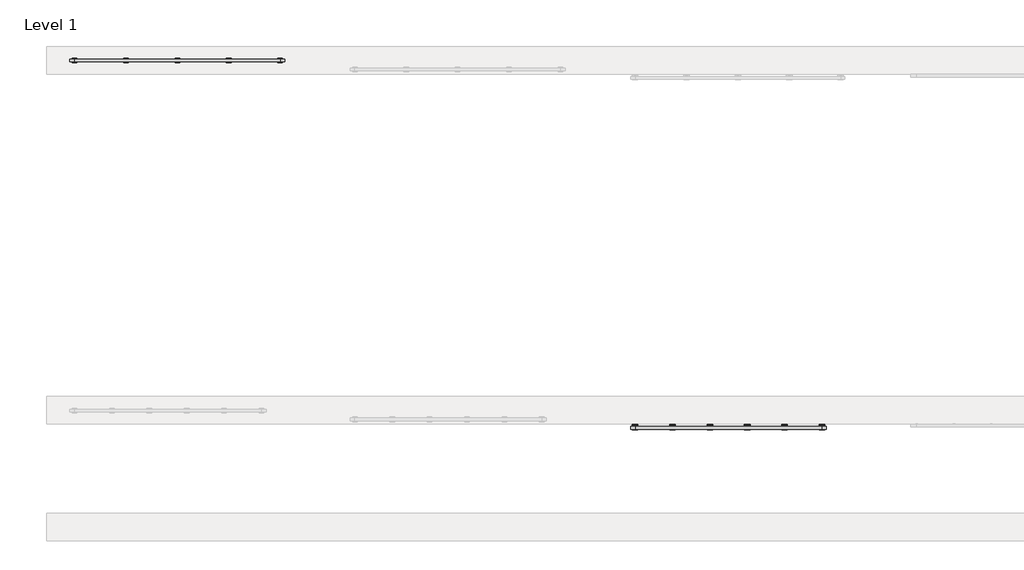
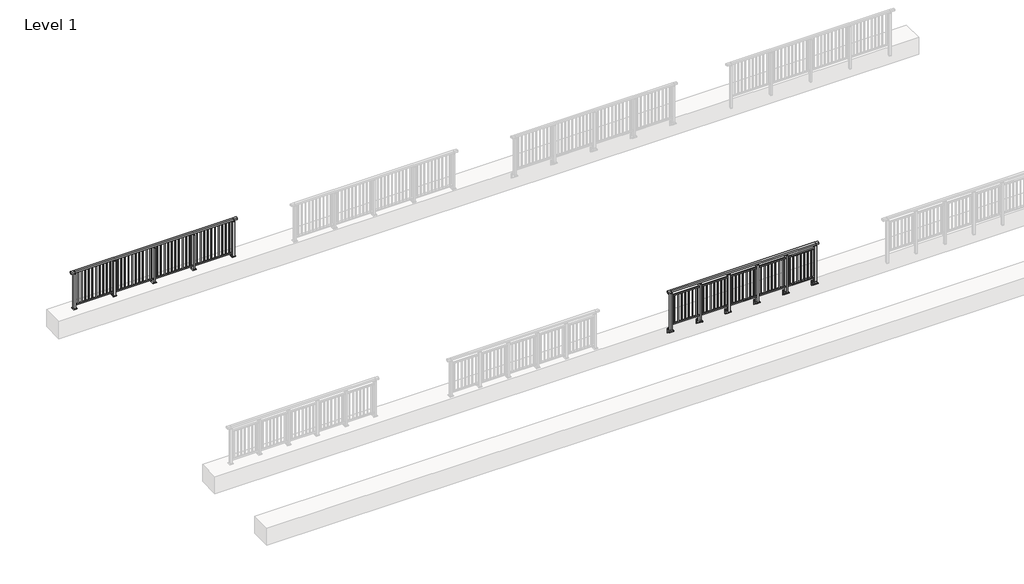
# One storey, part 8 of 37: 2 railings.
"""IFC4 building model written with IfcOpenShell, lengths in millimetres."""

from ifc_helpers import new_model, si_unit, point, frame, frame_2d, origin, origin_with_axes, place, context, project, spatial, polyline, circle_curve, trimmed, segment, composite_curve, outline, extrude, faceted_brep, element, save

model = new_model("IFC4")

# Units and contexts
model_context = context("Model", 3, world=origin())
ifc_project = project(units=[si_unit("LENGTHUNIT", "METRE", prefix="MILLI")], contexts=[model_context])

# Site, building, storey
site = spatial("IfcSite", under=ifc_project)
building = spatial("IfcBuilding", under=site)
storey = spatial("IfcBuildingStorey", under=building, Name="Level 1", Elevation=0.0)

# Railings
placement = place(None, origin())
element("IfcRailing", 1, at=placement, inside=storey, context=model_context, shape_type="SolidModel", body=[
    faceted_brep([(11910.0, 7347.6846828, 1100.0), (11910.0, 7347.6846828, 1055.0), (11910.0, 7287.6846828, 1055.0), (11910.0, 7287.6846828, 1100.0), (12000.0, 7347.6846828, 1100.0), (12000.0, 7347.6846828, 1055.0), (12000.0, 7287.6846828, 1055.0), (12000.0, 7287.6846828, 1100.0), (16000.0, 7347.6846828, 1100.0), (16000.0, 7347.6846828, 1055.0), (16000.0, 7287.6846828, 1055.0), (16000.0, 7287.6846828, 1100.0), (16090.0, 7347.6846828, 1100.0), (16090.0, 7287.6846828, 1100.0), (16090.0, 7287.6846828, 1055.0), (16090.0, 7347.6846828, 1055.0)], [[[0, 1, 2, 3]], [[1, 0, 4, 5]], [[2, 1, 5, 6]], [[3, 2, 6, 7]], [[0, 3, 7, 4]], [[5, 4, 8, 9]], [[6, 5, 9, 10]], [[7, 6, 10, 11]], [[4, 7, 11, 8]], [[12, 13, 14, 15]], [[9, 8, 12, 15]], [[10, 9, 15, 14]], [[11, 10, 14, 13]], [[8, 11, 13, 12]]]),
    extrude(outline(polyline([(12000.0, 7300.1846828), (12000.0, 7335.1846828), (16000.0, 7335.1846828), (16000.0, 7300.1846828), (12000.0, 7300.1846828)])), frame((0.0, 0.0, 930.0), z_axis=(0.0, 0.0, 1.0), x_axis=(1.0, 0.0, 0.0)), (0.0, 0.0, 1.0), 30.0),
    extrude(outline(polyline([(12000.0, 7300.1846828), (12000.0, 7335.1846828), (16000.0, 7335.1846828), (16000.0, 7300.1846828), (12000.0, 7300.1846828)])), frame((0.0, 0.0, 95.0), z_axis=(0.0, 0.0, 1.0), x_axis=(1.0, 0.0, 0.0)), (0.0, 0.0, 1.0), 30.0),
    extrude(outline(polyline([(15908.5, 7309.1846828), (15891.5, 7309.1846828), (15891.5, 7326.1846828), (15908.5, 7326.1846828), (15908.5, 7309.1846828)])), frame((0.0, 0.0, 125.0), z_axis=(0.0, 0.0, 1.0), x_axis=(1.0, 0.0, 0.0)), (0.0, 0.0, 1.0), 805.0),
    extrude(outline(polyline([(15808.5, 7309.1846828), (15791.5, 7309.1846828), (15791.5, 7326.1846828), (15808.5, 7326.1846828), (15808.5, 7309.1846828)])), frame((0.0, 0.0, 125.0), z_axis=(0.0, 0.0, 1.0), x_axis=(1.0, 0.0, 0.0)), (0.0, 0.0, 1.0), 805.0),
    extrude(outline(polyline([(15708.5, 7309.1846828), (15691.5, 7309.1846828), (15691.5, 7326.1846828), (15708.5, 7326.1846828), (15708.5, 7309.1846828)])), frame((0.0, 0.0, 125.0), z_axis=(0.0, 0.0, 1.0), x_axis=(1.0, 0.0, 0.0)), (0.0, 0.0, 1.0), 805.0),
    extrude(outline(polyline([(15608.5, 7309.1846828), (15591.5, 7309.1846828), (15591.5, 7326.1846828), (15608.5, 7326.1846828), (15608.5, 7309.1846828)])), frame((0.0, 0.0, 125.0), z_axis=(0.0, 0.0, 1.0), x_axis=(1.0, 0.0, 0.0)), (0.0, 0.0, 1.0), 805.0),
    extrude(outline(polyline([(15508.5, 7309.1846828), (15491.5, 7309.1846828), (15491.5, 7326.1846828), (15508.5, 7326.1846828), (15508.5, 7309.1846828)])), frame((0.0, 0.0, 125.0), z_axis=(0.0, 0.0, 1.0), x_axis=(1.0, 0.0, 0.0)), (0.0, 0.0, 1.0), 805.0),
    extrude(outline(polyline([(15408.5, 7309.1846828), (15391.5, 7309.1846828), (15391.5, 7326.1846828), (15408.5, 7326.1846828), (15408.5, 7309.1846828)])), frame((0.0, 0.0, 125.0), z_axis=(0.0, 0.0, 1.0), x_axis=(1.0, 0.0, 0.0)), (0.0, 0.0, 1.0), 805.0),
    extrude(outline(polyline([(15308.5, 7309.1846828), (15291.5, 7309.1846828), (15291.5, 7326.1846828), (15308.5, 7326.1846828), (15308.5, 7309.1846828)])), frame((0.0, 0.0, 125.0), z_axis=(0.0, 0.0, 1.0), x_axis=(1.0, 0.0, 0.0)), (0.0, 0.0, 1.0), 805.0),
    extrude(outline(composite_curve([segment(polyline([(7350.1846828, -70.0), (7384.1846828, -63.0), (7384.1846828, -32.5), (7400.1846828, -32.5), (7400.1846828, -167.5), (7384.1846828, -167.5), (7384.1846828, -113.5)]), True, "CONTINUOUS"), segment(trimmed(circle_curve(frame_2d((7364.1846828, -113.5)), 20.0), [point((7384.1846828, -113.5))], [point((7364.1846828, -93.5))], True, "CARTESIAN"), True, "CONTINUOUS"), segment(polyline([(7364.1846828, -93.5), (7280.1846828, -93.5), (7280.1846828, -70.0), (7350.1846828, -70.0)]), True, "CONTINUOUS")], self_intersect=False)), frame((15140.0, 0.0, 0.0), z_axis=(1.0, 0.0, 0.0), x_axis=(0.0, 1.0, 0.0)), (0.0, 0.0, 1.0), 120.0),
    extrude(outline(polyline([(15222.5, 7350.1846828), (15222.5, 7285.1846828), (15177.5, 7285.1846828), (15177.5, 7350.1846828), (15222.5, 7350.1846828)])), frame((0.0, 0.0, -70.0), z_axis=(0.0, 0.0, 1.0), x_axis=(1.0, 0.0, 0.0)), (0.0, 0.0, 1.0), 1097.0),
    extrude(outline(polyline([(15210.0, 7327.6846828), (15210.0, 7307.6846828), (15190.0, 7307.6846828), (15190.0, 7327.6846828), (15210.0, 7327.6846828)])), frame((0.0, 0.0, 1035.0), z_axis=(0.0, 0.0, 1.0), x_axis=(1.0, 0.0, 0.0)), (0.0, 0.0, 1.0), 20.0),
    extrude(outline(polyline([(15222.5, 7350.1846828), (15222.5, 7285.1846828), (15177.5, 7285.1846828), (15177.5, 7350.1846828), (15222.5, 7350.1846828)])), frame((0.0, 0.0, 1027.0), z_axis=(0.0, 0.0, 1.0), x_axis=(1.0, 0.0, 0.0)), (0.0, 0.0, 1.0), 8.0),
    extrude(outline(polyline([(15108.5, 7309.1846828), (15091.5, 7309.1846828), (15091.5, 7326.1846828), (15108.5, 7326.1846828), (15108.5, 7309.1846828)])), frame((0.0, 0.0, 125.0), z_axis=(0.0, 0.0, 1.0), x_axis=(1.0, 0.0, 0.0)), (0.0, 0.0, 1.0), 805.0),
    extrude(outline(polyline([(15008.5, 7309.1846828), (14991.5, 7309.1846828), (14991.5, 7326.1846828), (15008.5, 7326.1846828), (15008.5, 7309.1846828)])), frame((0.0, 0.0, 125.0), z_axis=(0.0, 0.0, 1.0), x_axis=(1.0, 0.0, 0.0)), (0.0, 0.0, 1.0), 805.0),
    extrude(outline(polyline([(14908.5, 7309.1846828), (14891.5, 7309.1846828), (14891.5, 7326.1846828), (14908.5, 7326.1846828), (14908.5, 7309.1846828)])), frame((0.0, 0.0, 125.0), z_axis=(0.0, 0.0, 1.0), x_axis=(1.0, 0.0, 0.0)), (0.0, 0.0, 1.0), 805.0),
    extrude(outline(polyline([(14808.5, 7309.1846828), (14791.5, 7309.1846828), (14791.5, 7326.1846828), (14808.5, 7326.1846828), (14808.5, 7309.1846828)])), frame((0.0, 0.0, 125.0), z_axis=(0.0, 0.0, 1.0), x_axis=(1.0, 0.0, 0.0)), (0.0, 0.0, 1.0), 805.0),
    extrude(outline(polyline([(14708.5, 7309.1846828), (14691.5, 7309.1846828), (14691.5, 7326.1846828), (14708.5, 7326.1846828), (14708.5, 7309.1846828)])), frame((0.0, 0.0, 125.0), z_axis=(0.0, 0.0, 1.0), x_axis=(1.0, 0.0, 0.0)), (0.0, 0.0, 1.0), 805.0),
    extrude(outline(polyline([(14608.5, 7309.1846828), (14591.5, 7309.1846828), (14591.5, 7326.1846828), (14608.5, 7326.1846828), (14608.5, 7309.1846828)])), frame((0.0, 0.0, 125.0), z_axis=(0.0, 0.0, 1.0), x_axis=(1.0, 0.0, 0.0)), (0.0, 0.0, 1.0), 805.0),
    extrude(outline(polyline([(14508.5, 7309.1846828), (14491.5, 7309.1846828), (14491.5, 7326.1846828), (14508.5, 7326.1846828), (14508.5, 7309.1846828)])), frame((0.0, 0.0, 125.0), z_axis=(0.0, 0.0, 1.0), x_axis=(1.0, 0.0, 0.0)), (0.0, 0.0, 1.0), 805.0),
    extrude(outline(composite_curve([segment(polyline([(7350.1846828, -70.0), (7384.1846828, -63.0), (7384.1846828, -32.5), (7400.1846828, -32.5), (7400.1846828, -167.5), (7384.1846828, -167.5), (7384.1846828, -113.5)]), True, "CONTINUOUS"), segment(trimmed(circle_curve(frame_2d((7364.1846828, -113.5)), 20.0), [point((7384.1846828, -113.5))], [point((7364.1846828, -93.5))], True, "CARTESIAN"), True, "CONTINUOUS"), segment(polyline([(7364.1846828, -93.5), (7280.1846828, -93.5), (7280.1846828, -70.0), (7350.1846828, -70.0)]), True, "CONTINUOUS")], self_intersect=False)), frame((14340.0, 0.0, 0.0), z_axis=(1.0, 0.0, 0.0), x_axis=(0.0, 1.0, 0.0)), (0.0, 0.0, 1.0), 120.0),
    extrude(outline(polyline([(14422.5, 7350.1846828), (14422.5, 7285.1846828), (14377.5, 7285.1846828), (14377.5, 7350.1846828), (14422.5, 7350.1846828)])), frame((0.0, 0.0, -70.0), z_axis=(0.0, 0.0, 1.0), x_axis=(1.0, 0.0, 0.0)), (0.0, 0.0, 1.0), 1097.0),
    extrude(outline(polyline([(14410.0, 7327.6846828), (14410.0, 7307.6846828), (14390.0, 7307.6846828), (14390.0, 7327.6846828), (14410.0, 7327.6846828)])), frame((0.0, 0.0, 1035.0), z_axis=(0.0, 0.0, 1.0), x_axis=(1.0, 0.0, 0.0)), (0.0, 0.0, 1.0), 20.0),
    extrude(outline(polyline([(14422.5, 7350.1846828), (14422.5, 7285.1846828), (14377.5, 7285.1846828), (14377.5, 7350.1846828), (14422.5, 7350.1846828)])), frame((0.0, 0.0, 1027.0), z_axis=(0.0, 0.0, 1.0), x_axis=(1.0, 0.0, 0.0)), (0.0, 0.0, 1.0), 8.0),
    extrude(outline(polyline([(14308.5, 7309.1846828), (14291.5, 7309.1846828), (14291.5, 7326.1846828), (14308.5, 7326.1846828), (14308.5, 7309.1846828)])), frame((0.0, 0.0, 125.0), z_axis=(0.0, 0.0, 1.0), x_axis=(1.0, 0.0, 0.0)), (0.0, 0.0, 1.0), 805.0),
    extrude(outline(polyline([(14208.5, 7309.1846828), (14191.5, 7309.1846828), (14191.5, 7326.1846828), (14208.5, 7326.1846828), (14208.5, 7309.1846828)])), frame((0.0, 0.0, 125.0), z_axis=(0.0, 0.0, 1.0), x_axis=(1.0, 0.0, 0.0)), (0.0, 0.0, 1.0), 805.0),
    extrude(outline(polyline([(14108.5, 7309.1846828), (14091.5, 7309.1846828), (14091.5, 7326.1846828), (14108.5, 7326.1846828), (14108.5, 7309.1846828)])), frame((0.0, 0.0, 125.0), z_axis=(0.0, 0.0, 1.0), x_axis=(1.0, 0.0, 0.0)), (0.0, 0.0, 1.0), 805.0),
    extrude(outline(polyline([(14008.5, 7309.1846828), (13991.5, 7309.1846828), (13991.5, 7326.1846828), (14008.5, 7326.1846828), (14008.5, 7309.1846828)])), frame((0.0, 0.0, 125.0), z_axis=(0.0, 0.0, 1.0), x_axis=(1.0, 0.0, 0.0)), (0.0, 0.0, 1.0), 805.0),
    extrude(outline(polyline([(13908.5, 7309.1846828), (13891.5, 7309.1846828), (13891.5, 7326.1846828), (13908.5, 7326.1846828), (13908.5, 7309.1846828)])), frame((0.0, 0.0, 125.0), z_axis=(0.0, 0.0, 1.0), x_axis=(1.0, 0.0, 0.0)), (0.0, 0.0, 1.0), 805.0),
    extrude(outline(polyline([(13808.5, 7309.1846828), (13791.5, 7309.1846828), (13791.5, 7326.1846828), (13808.5, 7326.1846828), (13808.5, 7309.1846828)])), frame((0.0, 0.0, 125.0), z_axis=(0.0, 0.0, 1.0), x_axis=(1.0, 0.0, 0.0)), (0.0, 0.0, 1.0), 805.0),
    extrude(outline(polyline([(13708.5, 7309.1846828), (13691.5, 7309.1846828), (13691.5, 7326.1846828), (13708.5, 7326.1846828), (13708.5, 7309.1846828)])), frame((0.0, 0.0, 125.0), z_axis=(0.0, 0.0, 1.0), x_axis=(1.0, 0.0, 0.0)), (0.0, 0.0, 1.0), 805.0),
    extrude(outline(composite_curve([segment(polyline([(7350.1846828, -70.0), (7384.1846828, -63.0), (7384.1846828, -32.5), (7400.1846828, -32.5), (7400.1846828, -167.5), (7384.1846828, -167.5), (7384.1846828, -113.5)]), True, "CONTINUOUS"), segment(trimmed(circle_curve(frame_2d((7364.1846828, -113.5)), 20.0), [point((7384.1846828, -113.5))], [point((7364.1846828, -93.5))], True, "CARTESIAN"), True, "CONTINUOUS"), segment(polyline([(7364.1846828, -93.5), (7280.1846828, -93.5), (7280.1846828, -70.0), (7350.1846828, -70.0)]), True, "CONTINUOUS")], self_intersect=False)), frame((13540.0, 0.0, 0.0), z_axis=(1.0, 0.0, 0.0), x_axis=(0.0, 1.0, 0.0)), (0.0, 0.0, 1.0), 120.0),
    extrude(outline(polyline([(13622.5, 7350.1846828), (13622.5, 7285.1846828), (13577.5, 7285.1846828), (13577.5, 7350.1846828), (13622.5, 7350.1846828)])), frame((0.0, 0.0, -70.0), z_axis=(0.0, 0.0, 1.0), x_axis=(1.0, 0.0, 0.0)), (0.0, 0.0, 1.0), 1097.0),
    extrude(outline(polyline([(13610.0, 7327.6846828), (13610.0, 7307.6846828), (13590.0, 7307.6846828), (13590.0, 7327.6846828), (13610.0, 7327.6846828)])), frame((0.0, 0.0, 1035.0), z_axis=(0.0, 0.0, 1.0), x_axis=(1.0, 0.0, 0.0)), (0.0, 0.0, 1.0), 20.0),
    extrude(outline(polyline([(13622.5, 7350.1846828), (13622.5, 7285.1846828), (13577.5, 7285.1846828), (13577.5, 7350.1846828), (13622.5, 7350.1846828)])), frame((0.0, 0.0, 1027.0), z_axis=(0.0, 0.0, 1.0), x_axis=(1.0, 0.0, 0.0)), (0.0, 0.0, 1.0), 8.0),
    extrude(outline(polyline([(13508.5, 7309.1846828), (13491.5, 7309.1846828), (13491.5, 7326.1846828), (13508.5, 7326.1846828), (13508.5, 7309.1846828)])), frame((0.0, 0.0, 125.0), z_axis=(0.0, 0.0, 1.0), x_axis=(1.0, 0.0, 0.0)), (0.0, 0.0, 1.0), 805.0),
    extrude(outline(polyline([(13408.5, 7309.1846828), (13391.5, 7309.1846828), (13391.5, 7326.1846828), (13408.5, 7326.1846828), (13408.5, 7309.1846828)])), frame((0.0, 0.0, 125.0), z_axis=(0.0, 0.0, 1.0), x_axis=(1.0, 0.0, 0.0)), (0.0, 0.0, 1.0), 805.0),
    extrude(outline(polyline([(13308.5, 7309.1846828), (13291.5, 7309.1846828), (13291.5, 7326.1846828), (13308.5, 7326.1846828), (13308.5, 7309.1846828)])), frame((0.0, 0.0, 125.0), z_axis=(0.0, 0.0, 1.0), x_axis=(1.0, 0.0, 0.0)), (0.0, 0.0, 1.0), 805.0),
    extrude(outline(polyline([(13208.5, 7309.1846828), (13191.5, 7309.1846828), (13191.5, 7326.1846828), (13208.5, 7326.1846828), (13208.5, 7309.1846828)])), frame((0.0, 0.0, 125.0), z_axis=(0.0, 0.0, 1.0), x_axis=(1.0, 0.0, 0.0)), (0.0, 0.0, 1.0), 805.0),
    extrude(outline(polyline([(13108.5, 7309.1846828), (13091.5, 7309.1846828), (13091.5, 7326.1846828), (13108.5, 7326.1846828), (13108.5, 7309.1846828)])), frame((0.0, 0.0, 125.0), z_axis=(0.0, 0.0, 1.0), x_axis=(1.0, 0.0, 0.0)), (0.0, 0.0, 1.0), 805.0),
    extrude(outline(polyline([(13008.5, 7309.1846828), (12991.5, 7309.1846828), (12991.5, 7326.1846828), (13008.5, 7326.1846828), (13008.5, 7309.1846828)])), frame((0.0, 0.0, 125.0), z_axis=(0.0, 0.0, 1.0), x_axis=(1.0, 0.0, 0.0)), (0.0, 0.0, 1.0), 805.0),
    extrude(outline(polyline([(12908.5, 7309.1846828), (12891.5, 7309.1846828), (12891.5, 7326.1846828), (12908.5, 7326.1846828), (12908.5, 7309.1846828)])), frame((0.0, 0.0, 125.0), z_axis=(0.0, 0.0, 1.0), x_axis=(1.0, 0.0, 0.0)), (0.0, 0.0, 1.0), 805.0),
    extrude(outline(composite_curve([segment(polyline([(7350.1846828, -70.0), (7384.1846828, -63.0), (7384.1846828, -32.5), (7400.1846828, -32.5), (7400.1846828, -167.5), (7384.1846828, -167.5), (7384.1846828, -113.5)]), True, "CONTINUOUS"), segment(trimmed(circle_curve(frame_2d((7364.1846828, -113.5)), 20.0), [point((7384.1846828, -113.5))], [point((7364.1846828, -93.5))], True, "CARTESIAN"), True, "CONTINUOUS"), segment(polyline([(7364.1846828, -93.5), (7280.1846828, -93.5), (7280.1846828, -70.0), (7350.1846828, -70.0)]), True, "CONTINUOUS")], self_intersect=False)), frame((12740.0, 0.0, 0.0), z_axis=(1.0, 0.0, 0.0), x_axis=(0.0, 1.0, 0.0)), (0.0, 0.0, 1.0), 120.0),
    extrude(outline(polyline([(12822.5, 7350.1846828), (12822.5, 7285.1846828), (12777.5, 7285.1846828), (12777.5, 7350.1846828), (12822.5, 7350.1846828)])), frame((0.0, 0.0, -70.0), z_axis=(0.0, 0.0, 1.0), x_axis=(1.0, 0.0, 0.0)), (0.0, 0.0, 1.0), 1097.0),
    extrude(outline(polyline([(12810.0, 7327.6846828), (12810.0, 7307.6846828), (12790.0, 7307.6846828), (12790.0, 7327.6846828), (12810.0, 7327.6846828)])), frame((0.0, 0.0, 1035.0), z_axis=(0.0, 0.0, 1.0), x_axis=(1.0, 0.0, 0.0)), (0.0, 0.0, 1.0), 20.0),
    extrude(outline(polyline([(12822.5, 7350.1846828), (12822.5, 7285.1846828), (12777.5, 7285.1846828), (12777.5, 7350.1846828), (12822.5, 7350.1846828)])), frame((0.0, 0.0, 1027.0), z_axis=(0.0, 0.0, 1.0), x_axis=(1.0, 0.0, 0.0)), (0.0, 0.0, 1.0), 8.0),
    extrude(outline(polyline([(12708.5, 7309.1846828), (12691.5, 7309.1846828), (12691.5, 7326.1846828), (12708.5, 7326.1846828), (12708.5, 7309.1846828)])), frame((0.0, 0.0, 125.0), z_axis=(0.0, 0.0, 1.0), x_axis=(1.0, 0.0, 0.0)), (0.0, 0.0, 1.0), 805.0),
    extrude(outline(polyline([(12608.5, 7309.1846828), (12591.5, 7309.1846828), (12591.5, 7326.1846828), (12608.5, 7326.1846828), (12608.5, 7309.1846828)])), frame((0.0, 0.0, 125.0), z_axis=(0.0, 0.0, 1.0), x_axis=(1.0, 0.0, 0.0)), (0.0, 0.0, 1.0), 805.0),
    extrude(outline(polyline([(12508.5, 7309.1846828), (12491.5, 7309.1846828), (12491.5, 7326.1846828), (12508.5, 7326.1846828), (12508.5, 7309.1846828)])), frame((0.0, 0.0, 125.0), z_axis=(0.0, 0.0, 1.0), x_axis=(1.0, 0.0, 0.0)), (0.0, 0.0, 1.0), 805.0),
    extrude(outline(polyline([(12408.5, 7309.1846828), (12391.5, 7309.1846828), (12391.5, 7326.1846828), (12408.5, 7326.1846828), (12408.5, 7309.1846828)])), frame((0.0, 0.0, 125.0), z_axis=(0.0, 0.0, 1.0), x_axis=(1.0, 0.0, 0.0)), (0.0, 0.0, 1.0), 805.0),
    extrude(outline(polyline([(12308.5, 7309.1846828), (12291.5, 7309.1846828), (12291.5, 7326.1846828), (12308.5, 7326.1846828), (12308.5, 7309.1846828)])), frame((0.0, 0.0, 125.0), z_axis=(0.0, 0.0, 1.0), x_axis=(1.0, 0.0, 0.0)), (0.0, 0.0, 1.0), 805.0),
    extrude(outline(polyline([(12208.5, 7309.1846828), (12191.5, 7309.1846828), (12191.5, 7326.1846828), (12208.5, 7326.1846828), (12208.5, 7309.1846828)])), frame((0.0, 0.0, 125.0), z_axis=(0.0, 0.0, 1.0), x_axis=(1.0, 0.0, 0.0)), (0.0, 0.0, 1.0), 805.0),
    extrude(outline(polyline([(12108.5, 7309.1846828), (12091.5, 7309.1846828), (12091.5, 7326.1846828), (12108.5, 7326.1846828), (12108.5, 7309.1846828)])), frame((0.0, 0.0, 125.0), z_axis=(0.0, 0.0, 1.0), x_axis=(1.0, 0.0, 0.0)), (0.0, 0.0, 1.0), 805.0),
    extrude(outline(composite_curve([segment(polyline([(7350.1846828, -70.0), (7384.1846828, -63.0), (7384.1846828, -32.5), (7400.1846828, -32.5), (7400.1846828, -167.5), (7384.1846828, -167.5), (7384.1846828, -113.5)]), True, "CONTINUOUS"), segment(trimmed(circle_curve(frame_2d((7364.1846828, -113.5)), 20.0), [point((7384.1846828, -113.5))], [point((7364.1846828, -93.5))], True, "CARTESIAN"), True, "CONTINUOUS"), segment(polyline([(7364.1846828, -93.5), (7280.1846828, -93.5), (7280.1846828, -70.0), (7350.1846828, -70.0)]), True, "CONTINUOUS")], self_intersect=False)), frame((15940.0, 0.0, 0.0), z_axis=(1.0, 0.0, 0.0), x_axis=(0.0, 1.0, 0.0)), (0.0, 0.0, 1.0), 120.0),
    extrude(outline(polyline([(16022.5, 7350.1846828), (16022.5, 7285.1846828), (15977.5, 7285.1846828), (15977.5, 7350.1846828), (16022.5, 7350.1846828)])), frame((0.0, 0.0, -70.0), z_axis=(0.0, 0.0, 1.0), x_axis=(1.0, 0.0, 0.0)), (0.0, 0.0, 1.0), 1097.0),
    extrude(outline(polyline([(16010.0, 7327.6846828), (16010.0, 7307.6846828), (15990.0, 7307.6846828), (15990.0, 7327.6846828), (16010.0, 7327.6846828)])), frame((0.0, 0.0, 1035.0), z_axis=(0.0, 0.0, 1.0), x_axis=(1.0, 0.0, 0.0)), (0.0, 0.0, 1.0), 20.0),
    extrude(outline(polyline([(16022.5, 7350.1846828), (16022.5, 7285.1846828), (15977.5, 7285.1846828), (15977.5, 7350.1846828), (16022.5, 7350.1846828)])), frame((0.0, 0.0, 1027.0), z_axis=(0.0, 0.0, 1.0), x_axis=(1.0, 0.0, 0.0)), (0.0, 0.0, 1.0), 8.0),
    extrude(outline(composite_curve([segment(polyline([(7350.1846828, -70.0), (7384.1846828, -63.0), (7384.1846828, -32.5), (7400.1846828, -32.5), (7400.1846828, -167.5), (7384.1846828, -167.5), (7384.1846828, -113.5)]), True, "CONTINUOUS"), segment(trimmed(circle_curve(frame_2d((7364.1846828, -113.5)), 20.0), [point((7384.1846828, -113.5))], [point((7364.1846828, -93.5))], True, "CARTESIAN"), True, "CONTINUOUS"), segment(polyline([(7364.1846828, -93.5), (7280.1846828, -93.5), (7280.1846828, -70.0), (7350.1846828, -70.0)]), True, "CONTINUOUS")], self_intersect=False)), frame((11940.0, 0.0, 0.0), z_axis=(1.0, 0.0, 0.0), x_axis=(0.0, 1.0, 0.0)), (0.0, 0.0, 1.0), 120.0),
    extrude(outline(polyline([(12022.5, 7350.1846828), (12022.5, 7285.1846828), (11977.5, 7285.1846828), (11977.5, 7350.1846828), (12022.5, 7350.1846828)])), frame((0.0, 0.0, -70.0), z_axis=(0.0, 0.0, 1.0), x_axis=(1.0, 0.0, 0.0)), (0.0, 0.0, 1.0), 1097.0),
    extrude(outline(polyline([(12010.0, 7327.6846828), (12010.0, 7307.6846828), (11990.0, 7307.6846828), (11990.0, 7327.6846828), (12010.0, 7327.6846828)])), frame((0.0, 0.0, 1035.0), z_axis=(0.0, 0.0, 1.0), x_axis=(1.0, 0.0, 0.0)), (0.0, 0.0, 1.0), 20.0),
    extrude(outline(polyline([(12022.5, 7350.1846828), (12022.5, 7285.1846828), (11977.5, 7285.1846828), (11977.5, 7350.1846828), (12022.5, 7350.1846828)])), frame((0.0, 0.0, 1027.0), z_axis=(0.0, 0.0, 1.0), x_axis=(1.0, 0.0, 0.0)), (0.0, 0.0, 1.0), 8.0),
])
element("IfcRailing", 2, at=placement, inside=storey, context=model_context, shape_type="SolidModel", body=[
    faceted_brep([(0.0, 15220.1846828, 1055.0), (0.0, 15220.1846828, 1100.0), (4400.0, 15220.1846828, 1100.0), (4400.0, 15220.1846828, 1055.0), (0.0, 15160.1846828, 1055.0), (4400.0, 15160.1846828, 1055.0), (0.0, 15160.1846828, 1100.0), (4400.0, 15160.1846828, 1100.0), (-100.0, 15220.1846828, 1100.0), (-100.0, 15220.1846828, 1055.0), (-100.0, 15160.1846828, 1055.0), (-100.0, 15160.1846828, 1100.0), (4500.0, 15220.1846828, 1100.0), (4500.0, 15160.1846828, 1100.0), (4500.0, 15160.1846828, 1055.0), (4500.0, 15220.1846828, 1055.0)], [[[0, 1, 2, 3]], [[4, 0, 3, 5]], [[6, 4, 5, 7]], [[1, 6, 7, 2]], [[8, 9, 10, 11]], [[9, 8, 1, 0]], [[10, 9, 0, 4]], [[11, 10, 4, 6]], [[8, 11, 6, 1]], [[12, 13, 14, 15]], [[3, 2, 12, 15]], [[5, 3, 15, 14]], [[7, 5, 14, 13]], [[2, 7, 13, 12]]]),
    extrude(outline(polyline([(0.0, 15172.6846828), (0.0, 15207.6846828), (4400.0, 15207.6846828), (4400.0, 15172.6846828), (0.0, 15172.6846828)])), frame((0.0, 0.0, 95.0), z_axis=(0.0, 0.0, 1.0), x_axis=(1.0, 0.0, 0.0)), (0.0, 0.0, 1.0), 30.0),
    extrude(outline(polyline([(4308.5, 15198.6846828), (4308.5, 15181.6846828), (4291.5, 15181.6846828), (4291.5, 15198.6846828), (4308.5, 15198.6846828)])), frame((0.0, 0.0, 125.0), z_axis=(0.0, 0.0, 1.0), x_axis=(1.0, 0.0, 0.0)), (0.0, 0.0, 1.0), 930.0),
    extrude(outline(polyline([(4208.5, 15198.6846828), (4208.5, 15181.6846828), (4191.5, 15181.6846828), (4191.5, 15198.6846828), (4208.5, 15198.6846828)])), frame((0.0, 0.0, 125.0), z_axis=(0.0, 0.0, 1.0), x_axis=(1.0, 0.0, 0.0)), (0.0, 0.0, 1.0), 930.0),
    extrude(outline(polyline([(4108.5, 15198.6846828), (4108.5, 15181.6846828), (4091.5, 15181.6846828), (4091.5, 15198.6846828), (4108.5, 15198.6846828)])), frame((0.0, 0.0, 125.0), z_axis=(0.0, 0.0, 1.0), x_axis=(1.0, 0.0, 0.0)), (0.0, 0.0, 1.0), 930.0),
    extrude(outline(polyline([(4008.5, 15198.6846828), (4008.5, 15181.6846828), (3991.5, 15181.6846828), (3991.5, 15198.6846828), (4008.5, 15198.6846828)])), frame((0.0, 0.0, 125.0), z_axis=(0.0, 0.0, 1.0), x_axis=(1.0, 0.0, 0.0)), (0.0, 0.0, 1.0), 930.0),
    extrude(outline(polyline([(3908.5, 15198.6846828), (3908.5, 15181.6846828), (3891.5, 15181.6846828), (3891.5, 15198.6846828), (3908.5, 15198.6846828)])), frame((0.0, 0.0, 125.0), z_axis=(0.0, 0.0, 1.0), x_axis=(1.0, 0.0, 0.0)), (0.0, 0.0, 1.0), 930.0),
    extrude(outline(polyline([(3808.5, 15198.6846828), (3808.5, 15181.6846828), (3791.5, 15181.6846828), (3791.5, 15198.6846828), (3808.5, 15198.6846828)])), frame((0.0, 0.0, 125.0), z_axis=(0.0, 0.0, 1.0), x_axis=(1.0, 0.0, 0.0)), (0.0, 0.0, 1.0), 930.0),
    extrude(outline(polyline([(3708.5, 15198.6846828), (3708.5, 15181.6846828), (3691.5, 15181.6846828), (3691.5, 15198.6846828), (3708.5, 15198.6846828)])), frame((0.0, 0.0, 125.0), z_axis=(0.0, 0.0, 1.0), x_axis=(1.0, 0.0, 0.0)), (0.0, 0.0, 1.0), 930.0),
    extrude(outline(polyline([(3608.5, 15198.6846828), (3608.5, 15181.6846828), (3591.5, 15181.6846828), (3591.5, 15198.6846828), (3608.5, 15198.6846828)])), frame((0.0, 0.0, 125.0), z_axis=(0.0, 0.0, 1.0), x_axis=(1.0, 0.0, 0.0)), (0.0, 0.0, 1.0), 930.0),
    extrude(outline(polyline([(3508.5, 15198.6846828), (3508.5, 15181.6846828), (3491.5, 15181.6846828), (3491.5, 15198.6846828), (3508.5, 15198.6846828)])), frame((0.0, 0.0, 125.0), z_axis=(0.0, 0.0, 1.0), x_axis=(1.0, 0.0, 0.0)), (0.0, 0.0, 1.0), 930.0),
    extrude(outline(polyline([(3408.5, 15198.6846828), (3408.5, 15181.6846828), (3391.5, 15181.6846828), (3391.5, 15198.6846828), (3408.5, 15198.6846828)])), frame((0.0, 0.0, 125.0), z_axis=(0.0, 0.0, 1.0), x_axis=(1.0, 0.0, 0.0)), (0.0, 0.0, 1.0), 930.0),
    extrude(outline(polyline([(3310.0, 15180.1846828), (3290.0, 15180.1846828), (3290.0, 15200.1846828), (3310.0, 15200.1846828), (3310.0, 15180.1846828)])), frame((0.0, 0.0, 1035.0), z_axis=(0.0, 0.0, 1.0), x_axis=(1.0, 0.0, 0.0)), (0.0, 0.0, 1.0), 20.0),
    extrude(outline(polyline([(3322.5, 15157.6846828), (3277.5, 15157.6846828), (3277.5, 15222.6846828), (3322.5, 15222.6846828), (3322.5, 15157.6846828)])), frame((0.0, 0.0, 1027.0), z_axis=(0.0, 0.0, 1.0), x_axis=(1.0, 0.0, 0.0)), (0.0, 0.0, 1.0), 8.0),
    extrude(outline(polyline([(3350.0, 15140.1846828), (3250.0, 15140.1846828), (3250.0, 15240.1846828), (3350.0, 15240.1846828), (3350.0, 15140.1846828)])), origin_with_axes(), (0.0, 0.0, 1.0), 12.0),
    extrude(outline(polyline([(3322.5, 15157.6846828), (3277.5, 15157.6846828), (3277.5, 15222.6846828), (3322.5, 15222.6846828), (3322.5, 15157.6846828)])), frame((0.0, 0.0, 12.0), z_axis=(0.0, 0.0, 1.0), x_axis=(1.0, 0.0, 0.0)), (0.0, 0.0, 1.0), 1015.0),
    extrude(outline(polyline([(3208.5, 15198.6846828), (3208.5, 15181.6846828), (3191.5, 15181.6846828), (3191.5, 15198.6846828), (3208.5, 15198.6846828)])), frame((0.0, 0.0, 125.0), z_axis=(0.0, 0.0, 1.0), x_axis=(1.0, 0.0, 0.0)), (0.0, 0.0, 1.0), 930.0),
    extrude(outline(polyline([(3108.5, 15198.6846828), (3108.5, 15181.6846828), (3091.5, 15181.6846828), (3091.5, 15198.6846828), (3108.5, 15198.6846828)])), frame((0.0, 0.0, 125.0), z_axis=(0.0, 0.0, 1.0), x_axis=(1.0, 0.0, 0.0)), (0.0, 0.0, 1.0), 930.0),
    extrude(outline(polyline([(3008.5, 15198.6846828), (3008.5, 15181.6846828), (2991.5, 15181.6846828), (2991.5, 15198.6846828), (3008.5, 15198.6846828)])), frame((0.0, 0.0, 125.0), z_axis=(0.0, 0.0, 1.0), x_axis=(1.0, 0.0, 0.0)), (0.0, 0.0, 1.0), 930.0),
    extrude(outline(polyline([(2908.5, 15198.6846828), (2908.5, 15181.6846828), (2891.5, 15181.6846828), (2891.5, 15198.6846828), (2908.5, 15198.6846828)])), frame((0.0, 0.0, 125.0), z_axis=(0.0, 0.0, 1.0), x_axis=(1.0, 0.0, 0.0)), (0.0, 0.0, 1.0), 930.0),
    extrude(outline(polyline([(2808.5, 15198.6846828), (2808.5, 15181.6846828), (2791.5, 15181.6846828), (2791.5, 15198.6846828), (2808.5, 15198.6846828)])), frame((0.0, 0.0, 125.0), z_axis=(0.0, 0.0, 1.0), x_axis=(1.0, 0.0, 0.0)), (0.0, 0.0, 1.0), 930.0),
    extrude(outline(polyline([(2708.5, 15198.6846828), (2708.5, 15181.6846828), (2691.5, 15181.6846828), (2691.5, 15198.6846828), (2708.5, 15198.6846828)])), frame((0.0, 0.0, 125.0), z_axis=(0.0, 0.0, 1.0), x_axis=(1.0, 0.0, 0.0)), (0.0, 0.0, 1.0), 930.0),
    extrude(outline(polyline([(2608.5, 15198.6846828), (2608.5, 15181.6846828), (2591.5, 15181.6846828), (2591.5, 15198.6846828), (2608.5, 15198.6846828)])), frame((0.0, 0.0, 125.0), z_axis=(0.0, 0.0, 1.0), x_axis=(1.0, 0.0, 0.0)), (0.0, 0.0, 1.0), 930.0),
    extrude(outline(polyline([(2508.5, 15198.6846828), (2508.5, 15181.6846828), (2491.5, 15181.6846828), (2491.5, 15198.6846828), (2508.5, 15198.6846828)])), frame((0.0, 0.0, 125.0), z_axis=(0.0, 0.0, 1.0), x_axis=(1.0, 0.0, 0.0)), (0.0, 0.0, 1.0), 930.0),
    extrude(outline(polyline([(2408.5, 15198.6846828), (2408.5, 15181.6846828), (2391.5, 15181.6846828), (2391.5, 15198.6846828), (2408.5, 15198.6846828)])), frame((0.0, 0.0, 125.0), z_axis=(0.0, 0.0, 1.0), x_axis=(1.0, 0.0, 0.0)), (0.0, 0.0, 1.0), 930.0),
    extrude(outline(polyline([(2308.5, 15198.6846828), (2308.5, 15181.6846828), (2291.5, 15181.6846828), (2291.5, 15198.6846828), (2308.5, 15198.6846828)])), frame((0.0, 0.0, 125.0), z_axis=(0.0, 0.0, 1.0), x_axis=(1.0, 0.0, 0.0)), (0.0, 0.0, 1.0), 930.0),
    extrude(outline(polyline([(2210.0, 15180.1846828), (2190.0, 15180.1846828), (2190.0, 15200.1846828), (2210.0, 15200.1846828), (2210.0, 15180.1846828)])), frame((0.0, 0.0, 1035.0), z_axis=(0.0, 0.0, 1.0), x_axis=(1.0, 0.0, 0.0)), (0.0, 0.0, 1.0), 20.0),
    extrude(outline(polyline([(2222.5, 15157.6846828), (2177.5, 15157.6846828), (2177.5, 15222.6846828), (2222.5, 15222.6846828), (2222.5, 15157.6846828)])), frame((0.0, 0.0, 1027.0), z_axis=(0.0, 0.0, 1.0), x_axis=(1.0, 0.0, 0.0)), (0.0, 0.0, 1.0), 8.0),
    extrude(outline(polyline([(2250.0, 15140.1846828), (2150.0, 15140.1846828), (2150.0, 15240.1846828), (2250.0, 15240.1846828), (2250.0, 15140.1846828)])), origin_with_axes(), (0.0, 0.0, 1.0), 12.0),
    extrude(outline(polyline([(2222.5, 15157.6846828), (2177.5, 15157.6846828), (2177.5, 15222.6846828), (2222.5, 15222.6846828), (2222.5, 15157.6846828)])), frame((0.0, 0.0, 12.0), z_axis=(0.0, 0.0, 1.0), x_axis=(1.0, 0.0, 0.0)), (0.0, 0.0, 1.0), 1015.0),
    extrude(outline(polyline([(2108.5, 15198.6846828), (2108.5, 15181.6846828), (2091.5, 15181.6846828), (2091.5, 15198.6846828), (2108.5, 15198.6846828)])), frame((0.0, 0.0, 125.0), z_axis=(0.0, 0.0, 1.0), x_axis=(1.0, 0.0, 0.0)), (0.0, 0.0, 1.0), 930.0),
    extrude(outline(polyline([(2008.5, 15198.6846828), (2008.5, 15181.6846828), (1991.5, 15181.6846828), (1991.5, 15198.6846828), (2008.5, 15198.6846828)])), frame((0.0, 0.0, 125.0), z_axis=(0.0, 0.0, 1.0), x_axis=(1.0, 0.0, 0.0)), (0.0, 0.0, 1.0), 930.0),
    extrude(outline(polyline([(1908.5, 15198.6846828), (1908.5, 15181.6846828), (1891.5, 15181.6846828), (1891.5, 15198.6846828), (1908.5, 15198.6846828)])), frame((0.0, 0.0, 125.0), z_axis=(0.0, 0.0, 1.0), x_axis=(1.0, 0.0, 0.0)), (0.0, 0.0, 1.0), 930.0),
    extrude(outline(polyline([(1808.5, 15198.6846828), (1808.5, 15181.6846828), (1791.5, 15181.6846828), (1791.5, 15198.6846828), (1808.5, 15198.6846828)])), frame((0.0, 0.0, 125.0), z_axis=(0.0, 0.0, 1.0), x_axis=(1.0, 0.0, 0.0)), (0.0, 0.0, 1.0), 930.0),
    extrude(outline(polyline([(1708.5, 15198.6846828), (1708.5, 15181.6846828), (1691.5, 15181.6846828), (1691.5, 15198.6846828), (1708.5, 15198.6846828)])), frame((0.0, 0.0, 125.0), z_axis=(0.0, 0.0, 1.0), x_axis=(1.0, 0.0, 0.0)), (0.0, 0.0, 1.0), 930.0),
    extrude(outline(polyline([(1608.5, 15198.6846828), (1608.5, 15181.6846828), (1591.5, 15181.6846828), (1591.5, 15198.6846828), (1608.5, 15198.6846828)])), frame((0.0, 0.0, 125.0), z_axis=(0.0, 0.0, 1.0), x_axis=(1.0, 0.0, 0.0)), (0.0, 0.0, 1.0), 930.0),
    extrude(outline(polyline([(1508.5, 15198.6846828), (1508.5, 15181.6846828), (1491.5, 15181.6846828), (1491.5, 15198.6846828), (1508.5, 15198.6846828)])), frame((0.0, 0.0, 125.0), z_axis=(0.0, 0.0, 1.0), x_axis=(1.0, 0.0, 0.0)), (0.0, 0.0, 1.0), 930.0),
    extrude(outline(polyline([(1408.5, 15198.6846828), (1408.5, 15181.6846828), (1391.5, 15181.6846828), (1391.5, 15198.6846828), (1408.5, 15198.6846828)])), frame((0.0, 0.0, 125.0), z_axis=(0.0, 0.0, 1.0), x_axis=(1.0, 0.0, 0.0)), (0.0, 0.0, 1.0), 930.0),
    extrude(outline(polyline([(1308.5, 15198.6846828), (1308.5, 15181.6846828), (1291.5, 15181.6846828), (1291.5, 15198.6846828), (1308.5, 15198.6846828)])), frame((0.0, 0.0, 125.0), z_axis=(0.0, 0.0, 1.0), x_axis=(1.0, 0.0, 0.0)), (0.0, 0.0, 1.0), 930.0),
    extrude(outline(polyline([(1208.5, 15198.6846828), (1208.5, 15181.6846828), (1191.5, 15181.6846828), (1191.5, 15198.6846828), (1208.5, 15198.6846828)])), frame((0.0, 0.0, 125.0), z_axis=(0.0, 0.0, 1.0), x_axis=(1.0, 0.0, 0.0)), (0.0, 0.0, 1.0), 930.0),
    extrude(outline(polyline([(1110.0, 15180.1846828), (1090.0, 15180.1846828), (1090.0, 15200.1846828), (1110.0, 15200.1846828), (1110.0, 15180.1846828)])), frame((0.0, 0.0, 1035.0), z_axis=(0.0, 0.0, 1.0), x_axis=(1.0, 0.0, 0.0)), (0.0, 0.0, 1.0), 20.0),
    extrude(outline(polyline([(1122.5, 15157.6846828), (1077.5, 15157.6846828), (1077.5, 15222.6846828), (1122.5, 15222.6846828), (1122.5, 15157.6846828)])), frame((0.0, 0.0, 1027.0), z_axis=(0.0, 0.0, 1.0), x_axis=(1.0, 0.0, 0.0)), (0.0, 0.0, 1.0), 8.0),
    extrude(outline(polyline([(1150.0, 15140.1846828), (1050.0, 15140.1846828), (1050.0, 15240.1846828), (1150.0, 15240.1846828), (1150.0, 15140.1846828)])), origin_with_axes(), (0.0, 0.0, 1.0), 12.0),
    extrude(outline(polyline([(1122.5, 15157.6846828), (1077.5, 15157.6846828), (1077.5, 15222.6846828), (1122.5, 15222.6846828), (1122.5, 15157.6846828)])), frame((0.0, 0.0, 12.0), z_axis=(0.0, 0.0, 1.0), x_axis=(1.0, 0.0, 0.0)), (0.0, 0.0, 1.0), 1015.0),
    extrude(outline(polyline([(1008.5, 15198.6846828), (1008.5, 15181.6846828), (991.5, 15181.6846828), (991.5, 15198.6846828), (1008.5, 15198.6846828)])), frame((0.0, 0.0, 125.0), z_axis=(0.0, 0.0, 1.0), x_axis=(1.0, 0.0, 0.0)), (0.0, 0.0, 1.0), 930.0),
    extrude(outline(polyline([(908.5, 15198.6846828), (908.5, 15181.6846828), (891.5, 15181.6846828), (891.5, 15198.6846828), (908.5, 15198.6846828)])), frame((0.0, 0.0, 125.0), z_axis=(0.0, 0.0, 1.0), x_axis=(1.0, 0.0, 0.0)), (0.0, 0.0, 1.0), 930.0),
    extrude(outline(polyline([(808.5, 15198.6846828), (808.5, 15181.6846828), (791.5, 15181.6846828), (791.5, 15198.6846828), (808.5, 15198.6846828)])), frame((0.0, 0.0, 125.0), z_axis=(0.0, 0.0, 1.0), x_axis=(1.0, 0.0, 0.0)), (0.0, 0.0, 1.0), 930.0),
    extrude(outline(polyline([(708.5, 15198.6846828), (708.5, 15181.6846828), (691.5, 15181.6846828), (691.5, 15198.6846828), (708.5, 15198.6846828)])), frame((0.0, 0.0, 125.0), z_axis=(0.0, 0.0, 1.0), x_axis=(1.0, 0.0, 0.0)), (0.0, 0.0, 1.0), 930.0),
    extrude(outline(polyline([(608.5, 15198.6846828), (608.5, 15181.6846828), (591.5, 15181.6846828), (591.5, 15198.6846828), (608.5, 15198.6846828)])), frame((0.0, 0.0, 125.0), z_axis=(0.0, 0.0, 1.0), x_axis=(1.0, 0.0, 0.0)), (0.0, 0.0, 1.0), 930.0),
    extrude(outline(polyline([(508.5, 15198.6846828), (508.5, 15181.6846828), (491.5, 15181.6846828), (491.5, 15198.6846828), (508.5, 15198.6846828)])), frame((0.0, 0.0, 125.0), z_axis=(0.0, 0.0, 1.0), x_axis=(1.0, 0.0, 0.0)), (0.0, 0.0, 1.0), 930.0),
    extrude(outline(polyline([(408.5, 15198.6846828), (408.5, 15181.6846828), (391.5, 15181.6846828), (391.5, 15198.6846828), (408.5, 15198.6846828)])), frame((0.0, 0.0, 125.0), z_axis=(0.0, 0.0, 1.0), x_axis=(1.0, 0.0, 0.0)), (0.0, 0.0, 1.0), 930.0),
    extrude(outline(polyline([(308.5, 15198.6846828), (308.5, 15181.6846828), (291.5, 15181.6846828), (291.5, 15198.6846828), (308.5, 15198.6846828)])), frame((0.0, 0.0, 125.0), z_axis=(0.0, 0.0, 1.0), x_axis=(1.0, 0.0, 0.0)), (0.0, 0.0, 1.0), 930.0),
    extrude(outline(polyline([(208.5, 15198.6846828), (208.5, 15181.6846828), (191.5, 15181.6846828), (191.5, 15198.6846828), (208.5, 15198.6846828)])), frame((0.0, 0.0, 125.0), z_axis=(0.0, 0.0, 1.0), x_axis=(1.0, 0.0, 0.0)), (0.0, 0.0, 1.0), 930.0),
    extrude(outline(polyline([(108.5, 15198.6846828), (108.5, 15181.6846828), (91.5, 15181.6846828), (91.5, 15198.6846828), (108.5, 15198.6846828)])), frame((0.0, 0.0, 125.0), z_axis=(0.0, 0.0, 1.0), x_axis=(1.0, 0.0, 0.0)), (0.0, 0.0, 1.0), 930.0),
    extrude(outline(polyline([(4410.0, 15180.1846828), (4390.0, 15180.1846828), (4390.0, 15200.1846828), (4410.0, 15200.1846828), (4410.0, 15180.1846828)])), frame((0.0, 0.0, 1035.0), z_axis=(0.0, 0.0, 1.0), x_axis=(1.0, 0.0, 0.0)), (0.0, 0.0, 1.0), 20.0),
    extrude(outline(polyline([(4422.5, 15157.6846828), (4377.5, 15157.6846828), (4377.5, 15222.6846828), (4422.5, 15222.6846828), (4422.5, 15157.6846828)])), frame((0.0, 0.0, 1027.0), z_axis=(0.0, 0.0, 1.0), x_axis=(1.0, 0.0, 0.0)), (0.0, 0.0, 1.0), 8.0),
    extrude(outline(polyline([(4450.0, 15140.1846828), (4350.0, 15140.1846828), (4350.0, 15240.1846828), (4450.0, 15240.1846828), (4450.0, 15140.1846828)])), origin_with_axes(), (0.0, 0.0, 1.0), 12.0),
    extrude(outline(polyline([(4422.5, 15157.6846828), (4377.5, 15157.6846828), (4377.5, 15222.6846828), (4422.5, 15222.6846828), (4422.5, 15157.6846828)])), frame((0.0, 0.0, 12.0), z_axis=(0.0, 0.0, 1.0), x_axis=(1.0, 0.0, 0.0)), (0.0, 0.0, 1.0), 1015.0),
    extrude(outline(polyline([(10.0, 15180.1846828), (-10.0, 15180.1846828), (-10.0, 15200.1846828), (10.0, 15200.1846828), (10.0, 15180.1846828)])), frame((0.0, 0.0, 1035.0), z_axis=(0.0, 0.0, 1.0), x_axis=(1.0, 0.0, 0.0)), (0.0, 0.0, 1.0), 20.0),
    extrude(outline(polyline([(22.5, 15157.6846828), (-22.5, 15157.6846828), (-22.5, 15222.6846828), (22.5, 15222.6846828), (22.5, 15157.6846828)])), frame((0.0, 0.0, 1027.0), z_axis=(0.0, 0.0, 1.0), x_axis=(1.0, 0.0, 0.0)), (0.0, 0.0, 1.0), 8.0),
    extrude(outline(polyline([(50.0, 15140.1846828), (-50.0, 15140.1846828), (-50.0, 15240.1846828), (50.0, 15240.1846828), (50.0, 15140.1846828)])), origin_with_axes(), (0.0, 0.0, 1.0), 12.0),
    extrude(outline(polyline([(22.5, 15157.6846828), (-22.5, 15157.6846828), (-22.5, 15222.6846828), (22.5, 15222.6846828), (22.5, 15157.6846828)])), frame((0.0, 0.0, 12.0), z_axis=(0.0, 0.0, 1.0), x_axis=(1.0, 0.0, 0.0)), (0.0, 0.0, 1.0), 1015.0),
])

save(model, "model.ifc")
